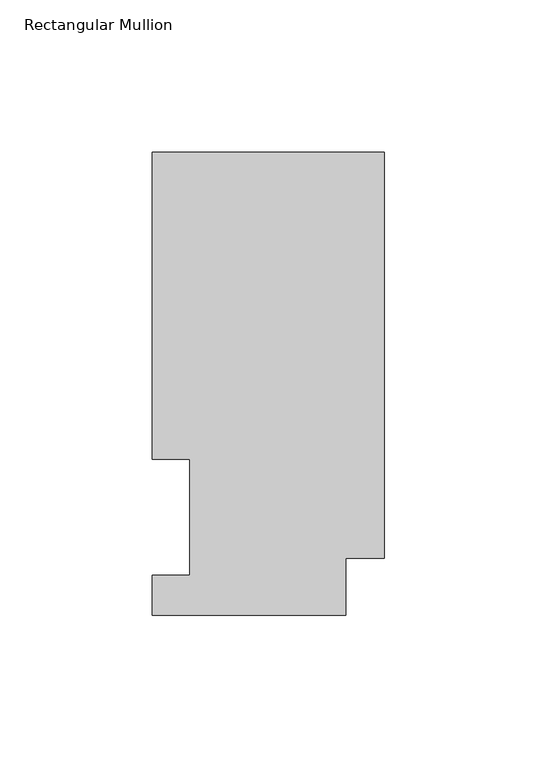
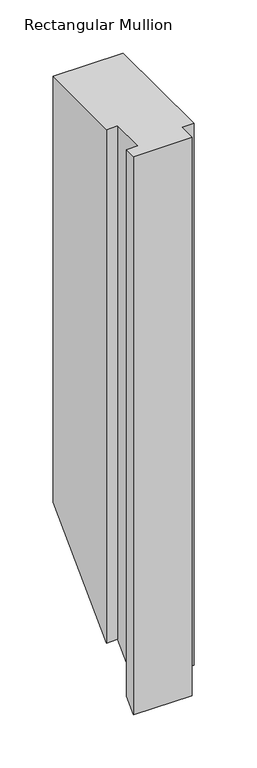
"""IFC4 building model written with IfcOpenShell, lengths in millimetres: member geometry, Rectangular Mullion."""

from ifc_helpers import new_model, si_unit, origin, place, context, project, spatial, faceted_brep, source, transform, mapped, element, save


def rectangular_mullion_8124a87e(model_context):
    return source(origin(), model_context, "Body", "Brep", [
        faceted_brep([(-76.2, 151.9816937, 0.0), (-76.2, 51.2960938, 0.0), (-63.8581605, 51.2960938, 0.0), (-63.8581605, 13.1960938, 0.0), (-76.2, 13.1960938, 0.0), (-76.2, 0.0134937, 0.0), (-12.7, 0.0134937, 0.0), (-12.7, 18.7332937, 0.0), (0.0, 18.7332937, 0.0), (0.0, 151.9816937, 0.0), (-76.2, 151.9816937, -489.3683062), (-76.2, 51.2960938, -590.0539062), (-63.8581605, 51.2960938, -590.0539062), (-63.8581605, 13.1960937, -628.1539062), (-76.2, 13.1960938, -628.1539062), (-76.2, 0.0134937, -641.3365062), (-12.7, 0.0134937, -641.3365062), (-12.7, 18.7332937, -622.6167062), (0.0, 18.7332937, -622.6167062), (0.0, 151.9816937, -489.3683062)], [[[0, 1, 2, 3, 4, 5, 6, 7, 8, 9]], [[1, 0, 10, 11]], [[2, 1, 11, 12]], [[3, 2, 12, 13]], [[4, 3, 13, 14]], [[5, 4, 14, 15]], [[6, 5, 15, 16]], [[7, 6, 16, 17]], [[8, 7, 17, 18]], [[9, 8, 18, 19]], [[0, 9, 19, 10]], [[10, 19, 18, 17, 16, 15, 14, 13, 12, 11]]]),
    ])


if __name__ == "__main__":
    model = new_model("IFC4")
    model_context = context("Model", 3, world=origin())
    ifc_project = project(units=[si_unit("LENGTHUNIT", "METRE", prefix="MILLI")], contexts=[model_context])
    site = spatial("IfcSite", under=ifc_project)
    building = spatial("IfcBuilding", under=site)
    placement = place(None, origin())
    rectangular_mullion_shape = rectangular_mullion_8124a87e(model_context)
    element("IfcMember", 1, ObjectType="Rectangular Mullion", at=placement, inside=building, context=model_context, shape_type="MappedRepresentation", body=[
        mapped(rectangular_mullion_shape, transform((0.0, 0.0, 0.0), x_axis=(1.0, 0.0, 0.0), y_axis=(0.0, 1.0, 0.0), z_axis=(0.0, 0.0, 1.0))),
    ])
    save(model, "model.ifc")
